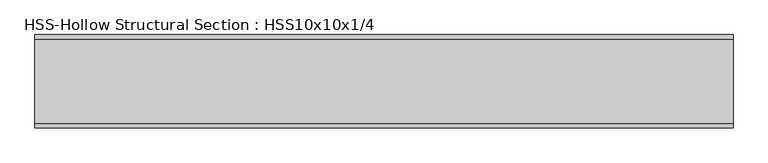
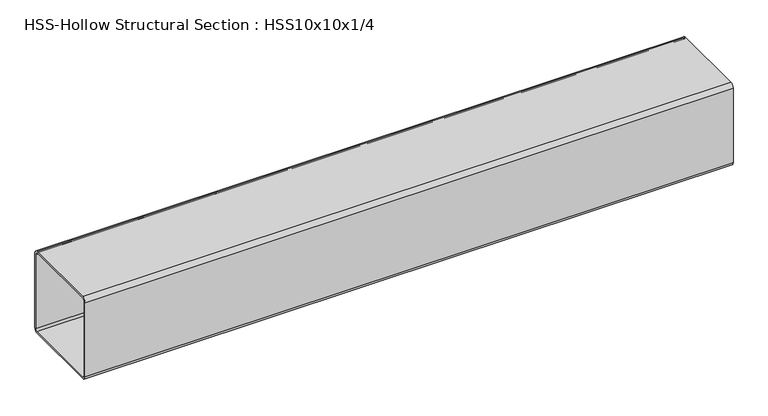
"""IFC4 building model written with IfcOpenShell, lengths in millimetres: beam geometry, HSS-Hollow Structural Section : HSS10x10x1/4."""

from ifc_helpers import new_model, si_unit, point, frame, frame_2d, origin, place, context, project, spatial, polyline, circle_curve, trimmed, segment, composite_curve, outline, extrude, source, transform, mapped, element, save


def hss_hollow_structural_section_hss10x10x1_4_d6d80ddc(model_context):
    return source(origin(), model_context, "Body", "SweptSolid", [
        extrude(outline(composite_curve([segment(polyline([(127.0, 115.1636), (127.0, -115.1636)]), True, "CONTINUOUS"), segment(trimmed(circle_curve(frame_2d((115.1636, -115.1636)), 11.8364), [point((127.0, -115.1636))], [point((115.1636, -127.0))], False, "CARTESIAN"), True, "CONTINUOUS"), segment(polyline([(115.1636, -127.0), (-115.1636, -127.0)]), True, "CONTINUOUS"), segment(trimmed(circle_curve(frame_2d((-115.1636, -115.1636)), 11.8364), [point((-115.1636, -127.0))], [point((-127.0, -115.1636))], False, "CARTESIAN"), True, "CONTINUOUS"), segment(polyline([(-127.0, -115.1636), (-127.0, 115.1636)]), True, "CONTINUOUS"), segment(trimmed(circle_curve(frame_2d((-115.1636, 115.1636)), 11.8364), [point((-127.0, 115.1636))], [point((-115.1636, 127.0))], False, "CARTESIAN"), True, "CONTINUOUS"), segment(polyline([(-115.1636, 127.0), (115.1636, 127.0)]), True, "CONTINUOUS"), segment(trimmed(circle_curve(frame_2d((115.1636, 115.1636)), 11.8364), [point((115.1636, 127.0))], [point((127.0, 115.1636))], False, "CARTESIAN"), True, "CONTINUOUS")], self_intersect=False), holes=[composite_curve([segment(trimmed(circle_curve(frame_2d((-115.1636, 115.1636)), 5.9182), [point((-115.1636, 121.0818))], [point((-121.0818, 115.1636))], True, "CARTESIAN"), True, "CONTINUOUS"), segment(polyline([(-121.0818, 115.1636), (-121.0818, -115.1636)]), True, "CONTINUOUS"), segment(trimmed(circle_curve(frame_2d((-115.1636, -115.1636)), 5.9182), [point((-121.0818, -115.1636))], [point((-115.1636, -121.0818))], True, "CARTESIAN"), True, "CONTINUOUS"), segment(polyline([(-115.1636, -121.0818), (115.1636, -121.0818)]), True, "CONTINUOUS"), segment(trimmed(circle_curve(frame_2d((115.1636, -115.1636)), 5.9182), [point((115.1636, -121.0818))], [point((121.0818, -115.1636))], True, "CARTESIAN"), True, "CONTINUOUS"), segment(polyline([(121.0818, -115.1636), (121.0818, 115.1636)]), True, "CONTINUOUS"), segment(trimmed(circle_curve(frame_2d((115.1636, 115.1636)), 5.9182), [point((121.0818, 115.1636))], [point((115.1636, 121.0818))], True, "CARTESIAN"), True, "CONTINUOUS"), segment(polyline([(115.1636, 121.0818), (-115.1636, 121.0818)]), True, "CONTINUOUS")], self_intersect=False)]), frame((-977.8707626, 0.0, 0.0), z_axis=(1.0, 0.0, 0.0), x_axis=(0.0, 1.0, 0.0)), (0.0, 0.0, 1.0), 1899.3442013),
    ])


if __name__ == "__main__":
    model = new_model("IFC4")
    model_context = context("Model", 3, world=origin())
    ifc_project = project(units=[si_unit("LENGTHUNIT", "METRE", prefix="MILLI")], contexts=[model_context])
    site = spatial("IfcSite", under=ifc_project)
    building = spatial("IfcBuilding", under=site)
    placement = place(None, origin())
    hss_hollow_structural_section_hss10x10x1_4_shape = hss_hollow_structural_section_hss10x10x1_4_d6d80ddc(model_context)
    element("IfcBeam", 1, ObjectType="HSS-Hollow Structural Section : HSS10x10x1/4", at=placement, inside=building, context=model_context, shape_type="MappedRepresentation", body=[
        mapped(hss_hollow_structural_section_hss10x10x1_4_shape, transform((0.0, 0.0, 0.0), x_axis=(1.0, 0.0, 0.0), y_axis=(0.0, 1.0, 0.0), z_axis=(0.0, 0.0, 1.0))),
    ])
    save(model, "model.ifc")
